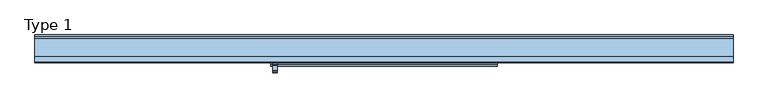
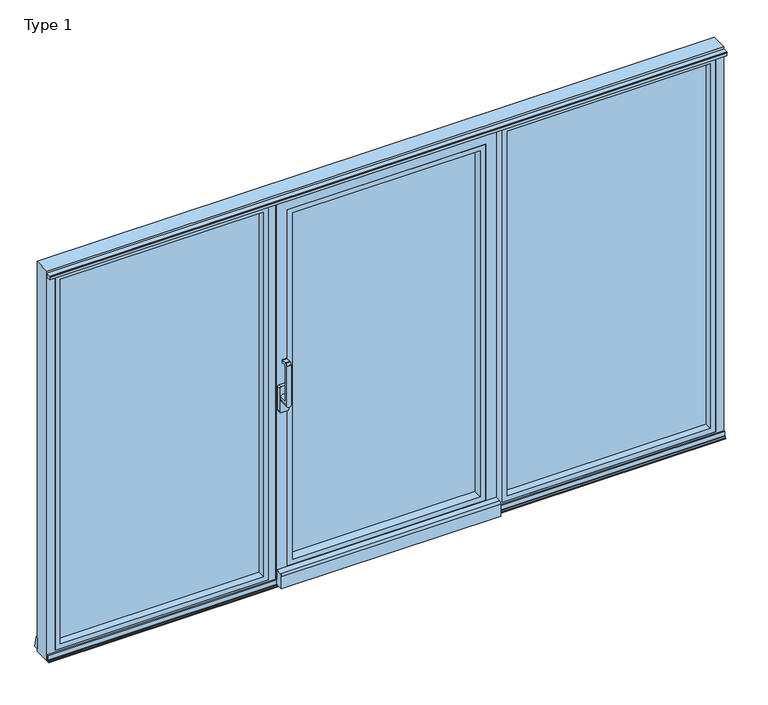
"""IFC4 building model written with IfcOpenShell, lengths in millimetres: window geometry, Type 1."""

from ifc_helpers import new_model, si_unit, point, frame, frame_2d, origin, place, context, project, spatial, polyline, circle_curve, trimmed, segment, composite_curve, outline, extrude, faceted_brep, source, transform, mapped, element, save
from ifc_brep_helpers import plane_surface, cylinder_surface, revolved_surface, advanced_brep


def type_1_9d2ab6ff(model_context):
    return source(origin(), model_context, "Body", "SolidModel", [
        advanced_brep(
        [(-546.1666667, -24.481016, 1060.0), (-546.1666667, 31.000412, 1060.0), (-546.1666667, 31.000412, 1076.0), (-546.1666667, -12.481016, 1076.0), (-546.1666667, -12.481016, 1269.8990577), (-546.1666667, -5.130356, 1277.2497177), (-546.1666667, 15.518984, 1277.2497177), (-546.1666667, 17.518984, 1279.2497177), (-546.1666667, 17.518984, 1290.2497177), (-546.1666667, 15.518984, 1292.2497177), (-546.1666667, -11.7169559, 1292.2497177), (-546.1666667, -13.1311695, 1291.6639313), (-546.1666667, -23.8952296, 1280.8998712), (-546.1666667, -24.481016, 1279.4856576), (-570.1666667, -24.481016, 1279.4856576), (-570.1666667, -24.481016, 1060.0), (-570.1666667, 31.000412, 1060.0), (-570.1666667, 31.000412, 1076.0), (-570.1666667, -12.481016, 1076.0), (-570.1666667, -12.481016, 1269.8990577), (-570.1666667, -5.130356, 1277.2497177), (-570.1666667, 15.518984, 1277.2497177), (-570.1666667, 17.518984, 1279.2497177), (-570.1666667, 17.518984, 1290.2497177), (-570.1666667, 15.518984, 1292.2497177), (-570.1666667, -11.7169559, 1292.2497177), (-570.1666667, -13.1311695, 1291.6639313), (-570.1666667, -23.8952296, 1280.8998712)],
        [
            (0, 1),
            (1, 2),
            (2, 3),
            (3, 4),
            (4, 5, circle_curve(frame((-546.1666667, -5.130356, 1269.8990577), z_axis=(-1.0, 0.0, 0.0), x_axis=(0.0, 0.0, -1.0)), 7.35066)),
            (5, 6),
            (6, 7, circle_curve(frame((-546.1666667, 15.518984, 1279.2497177), z_axis=(1.0, 0.0, 0.0), x_axis=(0.0, 0.0, -1.0)), 2.0)),
            (7, 8),
            (8, 9, circle_curve(frame((-546.1666667, 15.518984, 1290.2497177), z_axis=(1.0, 0.0, 0.0), x_axis=(0.0, 0.0, -1.0)), 2.0)),
            (9, 10),
            (10, 11, circle_curve(frame((-546.1666667, -11.7169559, 1290.2497177), z_axis=(1.0, 0.0, 0.0), x_axis=(0.0, 0.0, -1.0)), 2.0)),
            (11, 12),
            (12, 13, circle_curve(frame((-546.1666667, -22.481016, 1279.4856576), z_axis=(1.0, 0.0, 0.0), x_axis=(0.0, 0.0, -1.0)), 2.0)),
            (13, 0),
            (14, 15),
            (15, 0, circle_curve(frame((-558.1666667, -24.481016, 1060.0), z_axis=(0.0, -1.0, 0.0), x_axis=(-1.0000000000000004, 0.0, 0.0)), 12.0)),
            (13, 14),
            (16, 17),
            (17, 2, circle_curve(frame((-558.1666667, 31.000412, 1076.0), z_axis=(0.0, 1.0, 0.0), x_axis=(-1.0000000000000004, 0.0, 0.0)), 12.0)),
            (1, 16, circle_curve(frame((-558.1666667, 31.000412, 1060.0), z_axis=(0.0, 1.0, 0.0), x_axis=(-1.0000000000000004, 0.0, 0.0)), 12.0)),
            (15, 16),
            (3, 18, circle_curve(frame((-558.1666667, -12.481016, 1076.0), z_axis=(0.0, -1.0, 0.0), x_axis=(-1.0000000000000004, 0.0, 0.0)), 12.0)),
            (18, 19),
            (19, 4),
            (20, 5),
            (19, 20, circle_curve(frame((-570.1666667, -5.130356, 1269.8990577), z_axis=(-1.0, 0.0, 0.0), x_axis=(0.0, 0.0, -1.0)), 7.35066)),
            (21, 6),
            (20, 21),
            (22, 7),
            (21, 22, circle_curve(frame((-570.1666667, 15.518984, 1279.2497177), z_axis=(1.0, 0.0, 0.0), x_axis=(0.0, 0.0, -1.0)), 2.0)),
            (23, 8),
            (22, 23),
            (24, 9),
            (23, 24, circle_curve(frame((-570.1666667, 15.518984, 1290.2497177), z_axis=(1.0, 0.0, 0.0), x_axis=(0.0, 0.0, -1.0)), 2.0)),
            (25, 10),
            (24, 25),
            (26, 11),
            (25, 26, circle_curve(frame((-570.1666667, -11.7169559, 1290.2497177), z_axis=(1.0, 0.0, 0.0), x_axis=(0.0, 0.0, -1.0)), 2.0)),
            (27, 12),
            (26, 27),
            (27, 14, circle_curve(frame((-570.1666667, -22.481016, 1279.4856576), z_axis=(1.0, 0.0, 0.0), x_axis=(0.0, 0.0, -1.0)), 2.0)),
            (18, 17),
        ],
        [
            plane_surface(frame((-546.1666667, -24.481016, 1076.0), z_axis=(1.0, 0.0, 0.0), x_axis=(0.0, 1.0, 0.0))),
            plane_surface(frame((-570.1666667, -24.481016, 1078.0), z_axis=(0.0, -1.0, 0.0), x_axis=(0.0, 0.0, 1.0))),
            plane_surface(frame((-570.1666667, 31.000412, 1078.0), z_axis=(0.0, 1.0, 0.0), x_axis=(0.0, 0.0, -1.0))),
            cylinder_surface(frame((-558.1666667, 31.000412, 1060.0), z_axis=(0.0, -1.0000000000000004, 0.0), x_axis=(-1.0000000000000004, 0.0, 0.0)), 12.0),
            plane_surface(frame((-570.1666667, -12.481016, 1060.0), z_axis=(0.0, 1.0, 0.0), x_axis=(1.0, 0.0, 0.0))),
            revolved_surface(polyline([(-546.1666667, -5.130356, 1262.5483977), (-570.1666667, -5.130356, 1262.5483977)]), (-546.1666667, -5.130356, 1269.8990577), (1.0000000000000004, 0.0, 0.0)),
            plane_surface(frame((-570.1666667, -5.130356, 1277.2497177), z_axis=(0.0, 0.0, -1.0), x_axis=(1.0, 0.0, 0.0))),
            cylinder_surface(frame((-546.1666667, 15.518984, 1279.2497177), z_axis=(-1.0000000000000004, 0.0, 0.0), x_axis=(0.0, 0.0, -1.0)), 2.0),
            plane_surface(frame((-570.1666667, 17.518984, 1279.2497177), z_axis=(0.0, 1.0, 0.0), x_axis=(1.0, 0.0, 0.0))),
            cylinder_surface(frame((-546.1666667, 15.518984, 1290.2497177), z_axis=(-1.0000000000000004, 0.0, 0.0), x_axis=(0.0, 0.0, -1.0)), 2.0),
            plane_surface(frame((-570.1666667, 15.518984, 1292.2497177), z_axis=(0.0, 0.0, 1.0), x_axis=(1.0, 0.0, 0.0))),
            cylinder_surface(frame((-546.1666667, -11.7169559, 1290.2497177), z_axis=(-1.0000000000000004, 0.0, 0.0), x_axis=(0.0, 0.0, -1.0)), 2.0),
            plane_surface(frame((-570.1666667, -13.1311695, 1291.6639313), z_axis=(0.0, -0.7071067811865431, 0.7071067811865518), x_axis=(1.0, 0.0, 0.0))),
            cylinder_surface(frame((-546.1666667, -22.481016, 1279.4856576), z_axis=(-1.0000000000000004, 0.0, 0.0), x_axis=(0.0, 0.0, -1.0)), 2.0),
            plane_surface(frame((-570.1666667, -24.481016, 1060.0), z_axis=(-1.0, 0.0, 0.0), x_axis=(0.0, 1.0, 0.0))),
            cylinder_surface(frame((-558.1666667, 31.000412, 1076.0), z_axis=(0.0, -1.0000000000000004, 0.0), x_axis=(-1.0000000000000004, 0.0, 0.0)), 12.0),
        ],
        [
            (0, [[1, 2, 3, 4, 5, 6, 7, 8, 9, 10, 11, 12, 13, 14]]),
            (1, [[15, 16, -14, 17]]),
            (2, [[18, 19, -2, 20]]),
            (3, [[-20, -1, -16, 21]]),
            (4, [[-4, 22, 23, 24]]),
            (5, [[25, -5, -24, 26]]),
            (6, [[27, -6, -25, 28]]),
            (7, [[29, -7, -27, 30]]),
            (8, [[31, -8, -29, 32]]),
            (9, [[33, -9, -31, 34]]),
            (10, [[35, -10, -33, 36]]),
            (11, [[37, -11, -35, 38]]),
            (12, [[39, -12, -37, 40]]),
            (13, [[-17, -13, -39, 41]]),
            (14, [[-41, -40, -38, -36, -34, -32, -30, -28, -26, -23, 42, -18, -21, -15]]),
            (15, [[-42, -22, -3, -19]]),
        ],
    ),
        extrude(outline(composite_curve([segment(trimmed(circle_curve(frame_2d((1124.8499908, -569.1166789)), 7.0), [point((1131.8499908, -569.1166789))], [point((1124.8499908, -576.1166789))], False, "CARTESIAN"), True, "CONTINUOUS"), segment(polyline([(1124.8499908, -576.1166789), (995.1500092, -576.1166789)]), True, "CONTINUOUS"), segment(trimmed(circle_curve(frame_2d((995.1500092, -569.1166789)), 7.0), [point((995.1500092, -576.1166789))], [point((988.1500092, -569.1166789))], False, "CARTESIAN"), True, "CONTINUOUS"), segment(polyline([(988.1500092, -569.1166789), (988.1500092, -535.2166545)]), True, "CONTINUOUS"), segment(trimmed(circle_curve(frame_2d((995.1500092, -535.2166545)), 7.0), [point((988.1500092, -535.2166545))], [point((995.1500092, -528.2166545))], False, "CARTESIAN"), True, "CONTINUOUS"), segment(polyline([(995.1500092, -528.2166545), (1124.8499908, -528.2166545)]), True, "CONTINUOUS"), segment(trimmed(circle_curve(frame_2d((1124.8499908, -535.2166545)), 7.0), [point((1124.8499908, -528.2166545))], [point((1131.8499908, -535.2166545))], False, "CARTESIAN"), True, "CONTINUOUS"), segment(polyline([(1131.8499908, -535.2166545), (1131.8499908, -569.1166789)]), True, "CONTINUOUS")], self_intersect=False)), frame((0.0, 31.000412, 0.0), z_axis=(0.0, 1.0, 0.0), x_axis=(0.0, 0.0, 1.0)), (0.0, 0.0, 1.0), 18.9999542),
        extrude(outline(polyline([(2095.0004272, 523.6670939), (2095.0004272, -523.6670939), (104.9995728, -523.6670939), (104.9995728, 523.6670939), (2095.0004272, 523.6670939)]), holes=[polyline([(131.9995728, 496.6670939), (131.9995728, -496.6670939), (2068.0004272, -496.6670939), (2068.0004272, 496.6670939), (131.9995728, 496.6670939)])]), frame((0.0, 50.0003662, 0.0), z_axis=(0.0, 1.0, 0.0), x_axis=(0.0, 0.0, 1.0)), (0.0, 0.0, 1.0), 50.9995338),
        extrude(outline(polyline([(515.6667277, 101.0004798), (-515.6667277, 101.0004798), (-515.6667277, 139.0004798), (515.6667277, 139.0004798), (515.6667277, 101.0004798)])), frame((0.0, 0.0, 112.999939), z_axis=(0.0, 0.0, 1.0), x_axis=(1.0, 0.0, 0.0)), (0.0, 0.0, 1.0), 1974.0001221),
        faceted_brep([(-523.6670939, 101.0004798, 2095.0004272), (-523.6670939, 50.0003662, 2095.0004272), (-523.6670939, 50.0003662, 104.9995728), (-523.6670939, 101.0004798, 104.9995728), (-579.6670939, 50.0003662, 48.9995728), (579.6670939, 50.0003662, 48.9995728), (579.6670939, 50.0003662, 2151.0004272), (-579.6670939, 50.0003662, 2151.0004272), (523.6670939, 50.0003662, 2095.0004272), (523.6670939, 50.0003662, 104.9995728), (523.6670939, 101.0004798, 104.9995728), (523.6670939, 101.0004798, 2095.0004272), (-515.6667277, 101.0004798, 2087.000061), (515.6667277, 101.0004798, 2087.000061), (515.6667277, 101.0004798, 112.999939), (-515.6667277, 101.0004798, 112.999939), (-515.6667277, 139.0004798, 2087.000061), (-515.6667277, 139.0004798, 112.999939), (515.6667277, 139.0004798, 112.999939), (515.6667277, 139.0004798, 2087.000061), (-501.6670939, 139.0004798, 2073.0004272), (501.6670939, 139.0004798, 2073.0004272), (501.6670939, 139.0004798, 126.9995728), (-501.6670939, 139.0004798, 126.9995728), (-501.6670939, 150.0008469, 2073.0004272), (-501.6670939, 150.0008469, 126.9995728), (501.6670939, 150.0008469, 126.9995728), (-537.6683326, 150.0008469, 2109.001666), (537.6683326, 150.0008469, 2109.001666), (537.6683326, 150.0008469, 90.998334), (-537.6683326, 150.0008469, 90.998334), (501.6670939, 150.0008469, 2073.0004272), (-537.6683326, 145.0008469, 90.998334), (537.6683326, 145.0008469, 90.998334), (537.6683326, 145.0008469, 2109.001666), (-559.6670939, 145.0008469, 2131.0004272), (559.6670939, 145.0008469, 2131.0004272), (559.6670939, 145.0008469, 68.9995728), (-559.6670939, 145.0008469, 68.9995728), (-537.6683326, 145.0008469, 2109.001666), (-559.6670939, 60.0, 68.9995728), (559.6670939, 60.0, 68.9995728), (559.6670939, 60.0, 2131.0004272), (-579.6670939, 60.0, 2151.0004272), (579.6670939, 60.0, 2151.0004272), (579.6670939, 60.0, 48.9995728), (-579.6670939, 60.0, 48.9995728), (-559.6670939, 60.0, 2131.0004272)], [[[0, 1, 2, 3]], [[4, 5, 6, 7], [1, 8, 9, 2]], [[3, 2, 9, 10]], [[3, 10, 11, 0], [12, 13, 14, 15]], [[16, 12, 15, 17]], [[17, 15, 14, 18]], [[17, 18, 19, 16], [20, 21, 22, 23]], [[24, 20, 23, 25]], [[25, 23, 22, 26]], [[27, 28, 29, 30], [25, 26, 31, 24]], [[10, 9, 8, 11]], [[18, 14, 13, 19]], [[26, 22, 21, 31]], [[32, 30, 29, 33]], [[33, 29, 28, 34]], [[35, 36, 37, 38], [32, 33, 34, 39]], [[40, 38, 37, 41]], [[41, 37, 36, 42]], [[43, 44, 45, 46], [40, 41, 42, 47]], [[4, 46, 45, 5]], [[5, 45, 44, 6]], [[11, 8, 1, 0]], [[19, 13, 12, 16]], [[31, 21, 20, 24]], [[34, 28, 27, 39]], [[42, 36, 35, 47]], [[6, 44, 43, 7]], [[39, 27, 30, 32]], [[47, 35, 38, 40]], [[7, 43, 46, 4]]]),
        extrude(outline(composite_curve([segment(polyline([(19.7435257, 99.4362874), (50.0003662, 102.0834169), (50.0003662, 19.2739514), (9.1103627, 19.2739514), (9.1103627, 87.8322266)]), True, "CONTINUOUS"), segment(trimmed(circle_curve(frame_2d((20.7587491, 87.8322266)), 11.6483864), [point((9.1103627, 87.8322266))], [point((19.7435257, 99.4362874))], False, "CARTESIAN"), True, "CONTINUOUS")], self_intersect=False)), frame((-579.6670939, 0.0, 0.0), z_axis=(1.0, 0.0, 0.0), x_axis=(0.0, 1.0, 0.0)), (0.0, 0.0, 1.0), 1159.3341878),
        extrude(outline(composite_curve([segment(polyline([(60.0, 2178.0006641), (60.0, 2156.1025501), (35.217534, 2156.1025501), (35.217534, 2174.4849831)]), True, "CONTINUOUS"), segment(trimmed(circle_curve(frame_2d((33.1686587, 2174.4849831)), 2.0488753), [point((35.217534, 2174.4849831))], [point((32.1440644, 2176.2592708))], True, "CARTESIAN"), True, "CONTINUOUS"), segment(polyline([(32.1440644, 2176.2592708), (29.6454751, 2174.8164155)]), True, "CONTINUOUS"), segment(trimmed(circle_curve(frame_2d((29.2454173, 2175.5091948)), 0.7999934), [point((29.6454751, 2174.8164155))], [point((28.845455, 2176.2020294))], False, "CARTESIAN"), True, "CONTINUOUS"), segment(polyline([(28.845455, 2176.2020294), (31.3786793, 2177.664419)]), True, "CONTINUOUS"), segment(trimmed(circle_curve(frame_2d((32.633688, 2175.4904304)), 2.5102337), [point((31.3786793, 2177.664419))], [point((32.633688, 2178.0006641))], False, "CARTESIAN"), True, "CONTINUOUS"), segment(polyline([(32.633688, 2178.0006641), (60.0, 2178.0006641)]), True, "CONTINUOUS")], self_intersect=False)), frame((-1790.0, 0.0, 0.0), z_axis=(1.0, 0.0, 0.0), x_axis=(0.0, 1.0, 0.0)), (0.0, 0.0, 1.0), 3580.0),
        extrude(outline(polyline([(159.9992924, 83.9604061), (169.9989353, 23.9604061), (150.0, 23.9604061), (150.0, 83.9604061), (159.9992924, 83.9604061)])), frame((-1790.0, 0.0, 0.0), z_axis=(1.0, 0.0, 0.0), x_axis=(0.0, 1.0, 0.0)), (0.0, 0.0, 1.0), 3580.0),
        extrude(outline(polyline([(43.4998834, 13.0001167), (46.0083235, 13.0001167), (46.0083235, 20.4534802), (50.9735913, 20.4534802), (50.9735913, 13.0001167), (53.7998836, 13.0001167), (53.7998836, 44.0001167), (60.0, 44.0001167), (60.0, 10.0), (43.4998834, 10.0), (43.4998834, 13.0001167)])), frame((-1790.0, 0.0, 0.0), z_axis=(1.0, 0.0, 0.0), x_axis=(0.0, 1.0, 0.0)), (0.0, 0.0, 1.0), 3580.0),
        extrude(outline(polyline([(-1738.0001425, 100.9994463), (-1738.0001425, 139.0014365), (-626.6665242, 139.0014365), (-626.6665242, 100.9994463), (-1738.0001425, 100.9994463)])), frame((0.0, 0.0, 61.9998575), z_axis=(0.0, 0.0, 1.0), x_axis=(1.0, 0.0, 0.0)), (0.0, 0.0, 1.0), 2076.000285),
        extrude(outline(polyline([(53.9999924, -1746.0000076), (53.9999924, -618.666659), (2146.0000076, -618.666659), (2146.0000076, -1746.0000076), (53.9999924, -1746.0000076)]), holes=[polyline([(80.9999924, -645.666659), (80.9999924, -1719.0000076), (2119.0000076, -1719.0000076), (2119.0000076, -645.666659), (80.9999924, -645.666659)])]), frame((0.0, 60.0, 0.0), z_axis=(0.0, 1.0, 0.0), x_axis=(0.0, 0.0, 1.0)), (0.0, 0.0, 1.0), 40.9998378),
        extrude(outline(polyline([(626.6665242, 100.9994463), (626.6665242, 139.0014365), (1738.0001425, 139.0014365), (1738.0001425, 100.9994463), (626.6665242, 100.9994463)])), frame((0.0, 0.0, 61.9998575), z_axis=(0.0, 0.0, 1.0), x_axis=(1.0, 0.0, 0.0)), (0.0, 0.0, 1.0), 2076.000285),
        extrude(outline(polyline([(53.9999924, 618.666659), (53.9999924, 1746.0000076), (2146.0000076, 1746.0000076), (2146.0000076, 618.666659), (53.9999924, 618.666659)]), holes=[polyline([(80.9999924, 1719.0000076), (80.9999924, 645.666659), (2119.0000076, 645.666659), (2119.0000076, 1719.0000076), (80.9999924, 1719.0000076)])]), frame((0.0, 60.0, 0.0), z_axis=(0.0, 1.0, 0.0), x_axis=(0.0, 0.0, 1.0)), (0.0, 0.0, 1.0), 40.9998378),
        faceted_brep([(1790.0, 150.0, 10.0), (-1790.0, 150.0, 10.0), (-1790.0, 150.0, 2190.0), (1790.0, 150.0, 2190.0), (-1716.0, 150.0, 84.0), (-648.6666667, 150.0, 84.0), (-648.6666667, 150.0, 2116.0), (-1716.0, 150.0, 2116.0), (1716.0, 150.0, 2116.0), (648.6666667, 150.0, 2116.0), (648.6666667, 150.0, 84.0), (1716.0, 150.0, 84.0), (544.6710382, 150.0, 2116.0), (-544.6710382, 150.0, 2116.0), (-544.6710382, 150.0, 84.0), (544.6710382, 150.0, 84.0), (1716.0, 139.0014365, 84.0), (1716.0, 139.0014365, 2116.0), (-544.6710382, 145.0004398, 84.0), (544.6710382, 145.0004398, 84.0), (648.6666667, 139.0014365, 84.0), (-1716.0, 139.0014365, 84.0), (-648.6666667, 139.0014365, 84.0), (1790.0, 60.0, 2190.0), (1790.0, 60.0, 10.0), (-1790.0, 60.0, 10.0), (-1790.0, 60.0, 2190.0), (574.6667301, 60.0, 53.999873), (-574.6667301, 60.0, 53.999873), (-574.6667301, 60.0, 2146.000127), (574.6667301, 60.0, 2146.000127), (1746.000127, 60.0, 53.999873), (618.6666032, 60.0, 53.999873), (618.6666032, 60.0, 2146.000127), (1746.000127, 60.0, 2146.000127), (-1746.000127, 60.0, 2146.000127), (-618.6666032, 60.0, 2146.000127), (-618.6666032, 60.0, 53.999873), (-1746.000127, 60.0, 53.999873), (544.6710382, 145.0004398, 2116.0), (-1716.0, 139.0014365, 2116.0), (648.6666667, 139.0014365, 2116.0), (574.6667301, 145.0004398, 2146.000127), (-574.6667301, 145.0004398, 2146.000127), (-574.6667301, 145.0004398, 53.999873), (574.6667301, 145.0004398, 53.999873), (-544.6710382, 145.0004398, 2116.0), (-1746.000127, 100.9994463, 53.999873), (-1746.000127, 100.9994463, 2146.000127), (-618.6666032, 100.9994463, 53.999873), (1746.000127, 100.9994463, 53.999873), (618.6666032, 100.9994463, 53.999873), (1746.000127, 100.9994463, 2146.000127), (618.6666032, 100.9994463, 2146.000127), (-618.6666032, 100.9994463, 2146.000127), (-648.6666667, 139.0014365, 2116.0), (1738.0001425, 139.0014365, 2138.0001425), (626.6665242, 139.0014365, 2138.0001425), (626.6665242, 139.0014365, 61.9998575), (1738.0001425, 139.0014365, 61.9998575), (1738.0001425, 100.9994463, 61.9998575), (626.6665242, 100.9994463, 61.9998575), (626.6665242, 100.9994463, 2138.0001425), (1738.0001425, 100.9994463, 2138.0001425), (-1738.0001425, 139.0014365, 61.9998575), (-626.6665242, 139.0014365, 61.9998575), (-626.6665242, 139.0014365, 2138.0001425), (-1738.0001425, 139.0014365, 2138.0001425), (-1738.0001425, 100.9994463, 2138.0001425), (-626.6665242, 100.9994463, 2138.0001425), (-626.6665242, 100.9994463, 61.9998575), (-1738.0001425, 100.9994463, 61.9998575)], [[[0, 1, 2, 3], [4, 5, 6, 7], [8, 9, 10, 11], [12, 13, 14, 15]], [[11, 16, 17, 8]], [[15, 14, 18, 19]], [[10, 20, 16, 11]], [[4, 21, 22, 5]], [[23, 24, 0, 3]], [[24, 25, 1, 0]], [[23, 26, 25, 24], [27, 28, 29, 30], [31, 32, 33, 34], [35, 36, 37, 38]], [[39, 12, 15, 19]], [[4, 7, 40, 21]], [[9, 41, 20, 10]], [[42, 43, 44, 45], [19, 18, 46, 39]], [[25, 26, 2, 1]], [[38, 47, 48, 35]], [[45, 44, 28, 27]], [[37, 49, 47, 38]], [[31, 50, 51, 32]], [[30, 42, 45, 27]], [[34, 52, 50, 31]], [[32, 51, 53, 33]], [[3, 2, 26, 23]], [[35, 48, 54, 36]], [[33, 53, 52, 34]], [[30, 29, 43, 42]], [[7, 6, 55, 40]], [[8, 17, 41, 9]], [[39, 46, 13, 12]], [[56, 57, 58, 59], [16, 20, 41, 17]], [[52, 53, 51, 50], [60, 61, 62, 63]], [[56, 59, 60, 63]], [[59, 58, 61, 60]], [[58, 57, 62, 61]], [[63, 62, 57, 56]], [[18, 14, 13, 46]], [[22, 55, 6, 5]], [[64, 65, 66, 67], [40, 55, 22, 21]], [[36, 54, 49, 37]], [[28, 44, 43, 29]], [[49, 54, 48, 47], [68, 69, 70, 71]], [[68, 71, 64, 67]], [[71, 70, 65, 64]], [[70, 69, 66, 65]], [[67, 66, 69, 68]]]),
    ])


if __name__ == "__main__":
    model = new_model("IFC4")
    model_context = context("Model", 3, world=origin())
    ifc_project = project(units=[si_unit("LENGTHUNIT", "METRE", prefix="MILLI")], contexts=[model_context])
    site = spatial("IfcSite", under=ifc_project)
    building = spatial("IfcBuilding", under=site)
    placement = place(None, origin())
    type_1_shape = type_1_9d2ab6ff(model_context)
    element("IfcWindow", 1, ObjectType="Type 1", at=placement, inside=building, context=model_context, shape_type="MappedRepresentation", body=[
        mapped(type_1_shape, transform((0.0, 0.0, 0.0), x_axis=(1.0, 0.0, 0.0), y_axis=(0.0, 1.0, 0.0), z_axis=(0.0, 0.0, 1.0))),
    ])
    save(model, "model.ifc")
